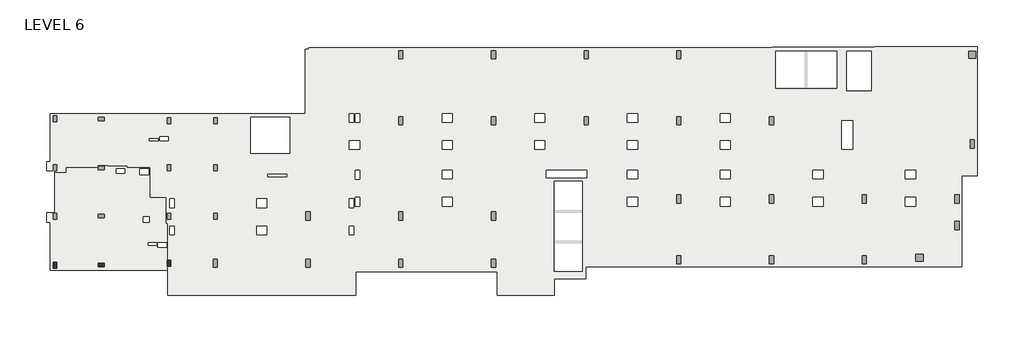
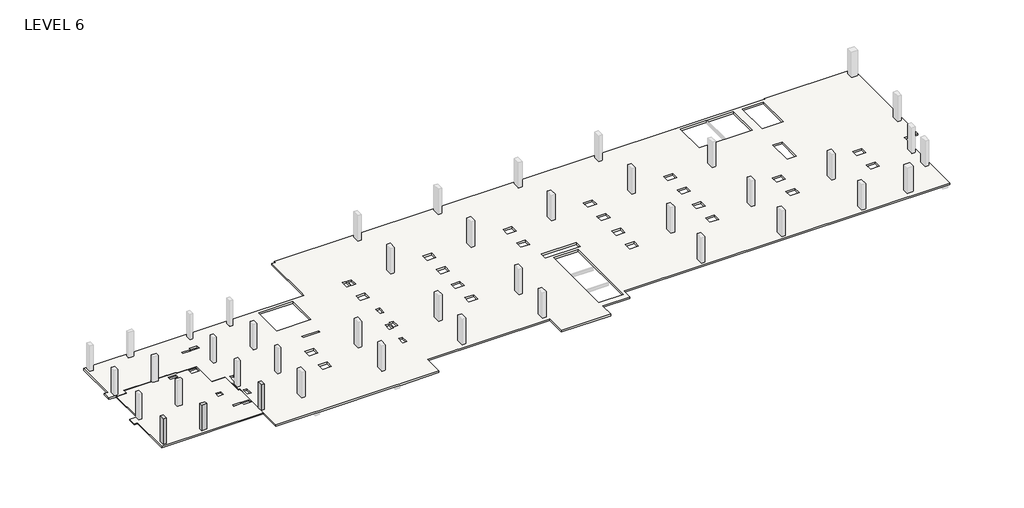
# One storey, part 1 of 2: 3 columns, 2 slabs.
"""IFC4 building model written with IfcOpenShell, lengths in millimetres."""

from ifc_helpers import new_model, si_unit, frame, origin, place, context, project, spatial, polyline, outline, extrude, faceted_brep, element, save

model = new_model("IFC4")

# Units and contexts
model_context = context("Model", 3, world=origin())
ifc_project = project(units=[si_unit("LENGTHUNIT", "METRE", prefix="MILLI")], contexts=[model_context])

# Site, building, storey
site = spatial("IfcSite", under=ifc_project)
building = spatial("IfcBuilding", under=site)
storey = spatial("IfcBuildingStorey", under=building, Name="LEVEL 6", Elevation=18897.6)

# Columns
placement = place(None, origin())
element("IfcColumn", 1, ObjectType="UC Concrete-Rectangular-Column : 12 x 20", at=placement, inside=storey, context=model_context, shape_type="SweptSolid", body=[
    extrude(outline(polyline([(-12613.7610058, -33380.9107149), (-12613.7610058, -33888.9107149), (-12918.5610058, -33888.9107149), (-12918.5610058, -33380.9107149), (-12613.7610058, -33380.9107149)])), frame((0.0, 0.0, 18897.6), z_axis=(0.0, 0.0, 1.0), x_axis=(1.0, 0.0, 0.0)), (0.0, 0.0, 1.0), 2667.0),
])
element("IfcColumn", 2, ObjectType="UC Concrete-Rectangular-Column : 12 x 20", at=placement, inside=storey, context=model_context, shape_type="SweptSolid", body=[
    extrude(outline(polyline([(-9057.7610058, -33482.5107149), (-8549.7610058, -33482.5107149), (-8549.7610058, -33787.3107149), (-9057.7610058, -33787.3107149), (-9057.7610058, -33482.5107149)])), frame((0.0, 0.0, 18897.6), z_axis=(0.0, 0.0, 1.0), x_axis=(1.0, 0.0, 0.0)), (0.0, 0.0, 1.0), 2667.0),
])
element("IfcColumn", 3, ObjectType="UC Concrete-Rectangular-Column : 12 x 20", at=placement, inside=storey, context=model_context, shape_type="SweptSolid", body=[
    extrude(outline(polyline([(-2860.1610058, -33228.5107149), (-2860.1610058, -33736.5107149), (-3164.9610058, -33736.5107149), (-3164.9610058, -33228.5107149), (-2860.1610058, -33228.5107149)])), frame((0.0, 0.0, 18897.6), z_axis=(0.0, 0.0, 1.0), x_axis=(1.0, 0.0, 0.0)), (0.0, 0.0, 1.0), 2667.0),
])

# Slabs
element("IfcSlab", 4, ObjectType="5\" slab", at=placement, inside=storey, context=model_context, shape_type="Brep", body=[
    faceted_brep([(-9118.0860058, -25260.8627141, 18719.8), (-9118.0860058, -25098.93584, 18719.8), (-8268.6383331, -25098.93584, 18719.8), (-8268.6383331, -25140.21084, 18719.8), (-6595.4133331, -25140.21084, 18719.8), (-6595.4133331, -25260.8627141, 18719.8), (-4612.7610058, -25260.8627141, 18719.8), (-4612.7610058, -27843.7107149, 18719.8), (-3269.7360058, -27843.7107149, 18719.8), (-3269.7360058, -30059.8703131, 18719.8), (-3120.5110058, -30059.8703131, 18719.8), (-3120.5110058, -34060.3310305, 18719.8), (-13155.4513218, -34060.3310305, 18719.8), (-13155.4513218, -29958.2607149, 18719.8), (-13483.7110058, -29958.2607149, 18719.8), (-13483.7110058, -29183.5607149, 18719.8), (-12766.1169468, -29183.5607149, 18719.8), (-12766.1169468, -25710.1107149, 18719.8), (-11835.8860058, -25710.1107149, 18719.8), (-11835.8860058, -25260.8627141, 18719.8), (-4736.5860058, -25391.0377141, 18719.8), (-5495.4110058, -25391.0377141, 18719.8), (-5495.4110058, -25894.3063579, 18719.8), (-4736.5860058, -25894.3063579, 18719.8), (-3955.5318136, -31734.6434324, 18719.8), (-3955.5318136, -32129.9453743, 18719.8), (-3212.5860058, -32129.9453743, 18719.8), (-3212.5860058, -31734.6434324, 18719.8), (-7516.3006019, -25401.3473693, 18719.8), (-7516.3006019, -25776.0291377, 18719.8), (-6782.8756019, -25776.0291377, 18719.8), (-6782.8756019, -25401.3473693, 18719.8), (-4809.6068136, -31744.9675477, 18719.8), (-4809.6068136, -31933.1120762, 18719.8), (-4050.7818136, -31933.1120762, 18719.8), (-4050.7818136, -31744.9675477, 18719.8), (-5207.5557798, -29505.837636, 18719.8), (-5207.5557798, -29980.4953131, 18719.8), (-4708.0110058, -29980.4953131, 18719.8), (-4708.0110058, -29505.837636, 18719.8), (-9118.0860058, -25098.93584, 18846.8), (-9118.0860058, -25260.8627141, 18846.8), (-11835.8860058, -25260.8627141, 18846.8), (-11835.8860058, -25710.1107149, 18846.8), (-12766.1169468, -25710.1107149, 18846.8), (-12766.1169468, -29183.5607149, 18846.8), (-13483.7110058, -29183.5607149, 18846.8), (-13483.7110058, -29958.2607149, 18846.8), (-13155.4513218, -29958.2607149, 18846.8), (-13155.4513218, -34060.3310305, 18846.8), (-3120.5110058, -34060.3310305, 18846.8), (-3120.5110058, -33736.5107149, 18846.8), (-3120.5110058, -33228.5107149, 18846.8), (-3120.5110058, -30059.8703131, 18846.8), (-3269.7360058, -30059.8703131, 18846.8), (-3269.7360058, -27843.7107149, 18846.8), (-4612.7610058, -27843.7107149, 18846.8), (-4612.7610058, -25260.8627141, 18846.8), (-6595.4133331, -25260.8627141, 18846.8), (-6595.4133331, -25140.21084, 18846.8), (-8268.6383331, -25140.21084, 18846.8), (-8268.6383331, -25098.93584, 18846.8), (-5495.4110058, -25391.0377141, 18846.8), (-4736.5860058, -25391.0377141, 18846.8), (-4736.5860058, -25894.3063579, 18846.8), (-5495.4110058, -25894.3063579, 18846.8), (-3955.5318136, -32129.9453743, 18846.8), (-3955.5318136, -31734.6434324, 18846.8), (-3212.5860058, -31734.6434324, 18846.8), (-3212.5860058, -32129.9453743, 18846.8), (-7516.3006019, -25776.0291377, 18846.8), (-7516.3006019, -25401.3473693, 18846.8), (-6782.8756019, -25401.3473693, 18846.8), (-6782.8756019, -25776.0291377, 18846.8), (-4809.6068136, -31933.1120762, 18846.8), (-4809.6068136, -31744.9675477, 18846.8), (-4050.7818136, -31744.9675477, 18846.8), (-4050.7818136, -31933.1120762, 18846.8), (-5207.5557798, -29980.4953131, 18846.8), (-5207.5557798, -29505.837636, 18846.8), (-4708.0110058, -29505.837636, 18846.8), (-4708.0110058, -29980.4953131, 18846.8)], [[[0, 1, 2, 3, 4, 5, 6, 7, 8, 9, 10, 11, 12, 13, 14, 15, 16, 17, 18, 19], [20, 21, 22, 23], [24, 25, 26, 27], [28, 29, 30, 31], [32, 33, 34, 35], [36, 37, 38, 39]], [[40, 41, 42, 43, 44, 45, 46, 47, 48, 49, 50, 51, 52, 53, 54, 55, 56, 57, 58, 59, 60, 61], [62, 63, 64, 65], [66, 67, 68, 69], [70, 71, 72, 73], [74, 75, 76, 77], [78, 79, 80, 81]], [[1, 0, 41, 40]], [[2, 1, 40, 61]], [[3, 2, 61, 60]], [[4, 3, 60, 59]], [[5, 4, 59, 58]], [[6, 5, 58, 57]], [[7, 6, 57, 56]], [[8, 7, 56, 55]], [[9, 8, 55, 54]], [[10, 9, 54, 53]], [[11, 10, 53, 52, 51, 50]], [[12, 11, 50, 49]], [[13, 12, 49, 48]], [[16, 15, 46, 45]], [[17, 16, 45, 44]], [[18, 17, 44, 43]], [[19, 18, 43, 42]], [[0, 19, 42, 41]], [[20, 63, 62, 21]], [[21, 62, 65, 22]], [[22, 65, 64, 23]], [[63, 20, 23, 64]], [[24, 67, 66, 25]], [[25, 66, 69, 26]], [[26, 69, 68, 27]], [[67, 24, 27, 68]], [[28, 71, 70, 29]], [[29, 70, 73, 30]], [[30, 73, 72, 31]], [[71, 28, 31, 72]], [[32, 75, 74, 33]], [[33, 74, 77, 34]], [[34, 77, 76, 35]], [[75, 32, 35, 76]], [[36, 79, 78, 37]], [[37, 78, 81, 38]], [[38, 81, 80, 39]], [[79, 36, 39, 80]], [[14, 13, 48, 47]], [[15, 14, 47, 46]]]),
])
element("IfcSlab", 5, ObjectType="7\" Concrete", at=placement, inside=storey, context=model_context, shape_type="Brep", body=[
    faceted_brep([(57329.9014942, -15029.4107149, 18719.8), (57329.9014942, -14953.2107149, 18719.8), (66100.8383695, -14953.2107149, 18719.8), (66100.8383695, -25989.5107149, 18719.8), (64773.6889942, -25989.5107149, 18719.8), (64773.6889942, -33774.6107149, 18719.8), (32604.5889942, -33774.6107149, 18719.8), (32604.5889942, -34790.6107149, 18719.8), (29915.3639942, -34790.6107149, 18719.8), (29915.3639942, -36213.0107149, 18719.8), (25029.0393065, -36213.0107149, 18719.8), (25029.0393065, -34219.1107149, 18719.8), (12964.0386818, -34219.1107149, 18719.8), (12964.0386818, -36213.0107149, 18719.8), (9077.8389942, -36213.0107149, 18719.8), (8671.4389942, -36213.0107149, 18719.8), (1153.0389942, -36213.0107149, 18719.8), (746.6389942, -36213.0107149, 18719.8), (-3120.5110058, -36213.0107149, 18719.8), (-3120.5110058, -30059.8703131, 18719.8), (-3269.7360058, -30059.8703131, 18719.8), (-3269.7360058, -27843.7107149, 18719.8), (-4612.7610058, -27843.7107149, 18719.8), (-4612.7610058, -25260.8627141, 18719.8), (-6595.4133331, -25260.8627141, 18719.8), (-6595.4133331, -25140.21084, 18719.8), (-8268.6383331, -25140.21084, 18719.8), (-8268.6383331, -25098.93584, 18719.8), (-9118.0860058, -25098.93584, 18719.8), (-9118.0860058, -25260.8627141, 18719.8), (-11835.8860058, -25260.8627141, 18719.8), (-11835.8860058, -25710.1107149, 18719.8), (-12766.1169468, -25710.1107149, 18719.8), (-12766.1169468, -25589.4607149, 18719.8), (-13483.7110058, -25589.4607149, 18719.8), (-13483.7110058, -24814.7607149, 18719.8), (-13155.4513218, -24814.7607149, 18719.8), (-13155.4513218, -20712.6903994, 18719.8), (797.4389942, -20712.6903994, 18719.8), (8620.6389942, -20712.6903994, 18719.8), (8620.6389942, -15197.6857149, 18719.8), (8925.4389942, -15197.6857149, 18719.8), (8925.4389942, -15054.8107149, 18719.8), (48541.5014942, -15054.8107149, 18719.8), (48541.5014942, -15029.4107149, 18719.8), (54078.7014942, -15334.2107149, 18719.8), (48846.3014942, -15334.2107149, 18719.8), (48846.3014942, -18511.7121146, 18719.8), (54078.7014942, -18511.7121146, 18719.8), (29912.1889942, -34181.7272222, 18719.8), (32299.7889942, -34181.7272222, 18719.8), (32299.7889942, -26487.2692077, 18719.8), (29912.1889942, -26487.2692077, 18719.8), (3972.4389942, -21017.4903994, 18719.8), (3972.4389942, -24095.6232149, 18719.8), (7325.2389942, -24095.6232149, 18719.8), (7325.2389942, -21017.4903994, 18719.8), (57025.1014942, -15334.2107149, 18719.8), (54933.1413578, -15334.2107149, 18719.8), (54933.1413578, -18744.1607149, 18719.8), (57025.1014942, -18744.1607149, 18719.8), (29123.2162484, -20696.7857149, 18719.8), (28250.0617399, -20696.7857149, 18719.8), (28250.0617399, -21427.0315227, 18719.8), (29123.2162484, -21427.0315227, 18719.8), (29123.2329503, -23011.3607149, 18719.8), (28250.045038, -23011.3607149, 18719.8), (28250.045038, -23744.7857149, 18719.8), (29123.2329503, -23744.7857149, 18719.8), (37048.0162484, -20696.7857149, 18719.8), (36174.8617399, -20696.7857149, 18719.8), (36174.8617399, -21427.0315227, 18719.8), (37048.0162484, -21427.0315227, 18719.8), (37048.0329503, -23011.3607149, 18719.8), (36174.845038, -23011.3607149, 18719.8), (36174.845038, -23744.7857149, 18719.8), (37048.0329503, -23744.7857149, 18719.8), (37048.0329503, -25541.8357149, 18719.8), (36174.8784418, -25541.8357149, 18719.8), (36174.8784418, -26272.0815227, 18719.8), (37048.0329503, -26272.0815227, 18719.8), (37048.0496522, -27856.4107149, 18719.8), (36174.8617399, -27856.4107149, 18719.8), (36174.8617399, -28589.8357149, 18719.8), (37048.0496522, -28589.8357149, 18719.8), (44972.8162484, -20696.7857149, 18719.8), (44099.6617399, -20696.7857149, 18719.8), (44099.6617399, -21427.0315227, 18719.8), (44972.8162484, -21427.0315227, 18719.8), (44972.8329503, -23011.3607149, 18719.8), (44099.645038, -23011.3607149, 18719.8), (44099.645038, -23744.7857149, 18719.8), (44972.8329503, -23744.7857149, 18719.8), (44972.8329503, -25541.8357149, 18719.8), (44099.6784418, -25541.8357149, 18719.8), (44099.6784418, -26272.0815227, 18719.8), (44972.8329503, -26272.0815227, 18719.8), (44972.8496522, -27856.4107149, 18719.8), (44099.6617399, -27856.4107149, 18719.8), (44099.6617399, -28589.8357149, 18719.8), (44972.8496522, -28589.8357149, 18719.8), (55421.7306924, -21315.9107149, 18719.8), (54513.6767085, -21315.9107149, 18719.8), (54513.6767085, -23754.3107149, 18719.8), (55421.7306924, -23754.3107149, 18719.8), (52897.6329503, -25541.8357149, 18719.8), (52024.4784418, -25541.8357149, 18719.8), (52024.4784418, -26272.0815227, 18719.8), (52897.6329503, -26272.0815227, 18719.8), (52897.6496522, -27856.4107149, 18719.8), (52024.4617399, -27856.4107149, 18719.8), (52024.4617399, -28589.8357149, 18719.8), (52897.6496522, -28589.8357149, 18719.8), (60822.4329503, -25541.8357149, 18719.8), (59949.2784418, -25541.8357149, 18719.8), (59949.2784418, -26272.0815227, 18719.8), (60822.4329503, -26272.0815227, 18719.8), (60822.4496522, -27856.4107149, 18719.8), (59949.2617399, -27856.4107149, 18719.8), (59949.2617399, -28589.8357149, 18719.8), (60822.4496522, -28589.8357149, 18719.8), (21198.4162484, -20696.7857149, 18719.8), (20325.2617399, -20696.7857149, 18719.8), (20325.2617399, -21427.0315227, 18719.8), (21198.4162484, -21427.0315227, 18719.8), (21198.4329503, -23011.3607149, 18719.8), (20325.245038, -23011.3607149, 18719.8), (20325.245038, -23744.7857149, 18719.8), (21198.4329503, -23744.7857149, 18719.8), (21198.4329503, -25540.2600871, 18719.8), (20325.245038, -25540.2600871, 18719.8), (20325.245038, -26273.6850871, 18719.8), (21198.4329503, -26273.6850871, 18719.8), (21198.4329503, -27856.4247435, 18719.8), (20325.245038, -27856.4247435, 18719.8), (20325.245038, -28589.8497435, 18719.8), (21198.4329503, -28589.8497435, 18719.8), (13273.6162484, -23011.3747435, 18719.8), (12400.4283362, -23011.3747435, 18719.8), (12400.4283362, -23744.7997435, 18719.8), (13273.6162484, -23744.7997435, 18719.8), (13273.6329503, -25549.7872435, 18719.8), (12898.9511818, -25549.7872435, 18719.8), (12898.9511818, -26283.2122435, 18719.8), (13273.6329503, -26283.2122435, 18719.8), (13273.6329503, -27858.0306162, 18719.8), (12898.9511818, -27858.0306162, 18719.8), (12898.9511818, -28591.4556162, 18719.8), (13273.6329503, -28591.4556162, 18719.8), (12775.1350013, -27980.26602, 18719.8), (12400.4532328, -27980.26602, 18719.8), (12400.4532328, -28713.69102, 18719.8), (12775.1350013, -28713.69102, 18719.8), (12775.1350013, -30296.4143396, 18719.8), (12400.4532328, -30296.4143396, 18719.8), (12400.4532328, -31029.8393396, 18719.8), (12775.1350013, -31029.8393396, 18719.8), (5348.8159361, -30296.4143396, 18719.8), (4475.6620523, -30296.4143396, 18719.8), (4475.6620523, -31029.8393396, 18719.8), (5348.8159361, -31029.8393396, 18719.8), (-2575.9840639, -30297.9899072, 18719.8), (-2936.3610058, -30297.9899072, 18719.8), (-2936.3610058, -31028.2357149, 18719.8), (-2575.9840639, -31028.2357149, 18719.8), (-2575.9673621, -27980.2327488, 18719.8), (-2936.3610058, -27980.2327488, 18719.8), (-2936.3610058, -28713.6577488, 18719.8), (-2575.9673621, -28713.6577488, 18719.8), (13273.6245994, -20696.7857149, 18719.8), (12898.9428309, -20696.7857149, 18719.8), (12898.9428309, -21427.0315227, 18719.8), (13273.6245994, -21427.0315227, 18719.8), (12775.1351575, -20696.7857149, 18719.8), (12400.453389, -20696.7857149, 18719.8), (12400.453389, -21427.0315227, 18719.8), (12775.1351575, -21427.0315227, 18719.8), (-4685.7818136, -22839.9093537, 18719.8), (-4685.7818136, -23025.6779974, 18719.8), (-3926.9568136, -23025.6779974, 18719.8), (-3926.9568136, -22839.9093537, 18719.8), (29254.9639942, -25513.2607149, 18719.8), (29254.9639942, -26182.4692077, 18719.8), (32693.4889942, -26182.4692077, 18719.8), (32693.4889942, -25513.2607149, 18719.8), (7044.9556867, -25881.5621481, 18719.8), (5407.1871152, -25881.5621481, 18719.8), (5407.1871152, -26084.7621481, 18719.8), (7044.9556867, -26084.7621481, 18719.8), (5348.8159361, -27981.0375273, 18719.8), (4475.6620523, -27981.0375273, 18719.8), (4475.6620523, -28714.4625273, 18719.8), (5348.8159361, -28714.4625273, 18719.8), (-3826.9323811, -22647.0361423, 18719.8), (-3826.9323811, -23021.7179107, 18719.8), (-3093.5073811, -23021.7179107, 18719.8), (-3093.5073811, -22647.0361423, 18719.8), (57329.9014942, -14953.2107149, 18897.6), (57329.9014942, -15029.4107149, 18897.6), (48541.5014942, -15029.4107149, 18897.6), (48541.5014942, -15054.8107149, 18897.6), (8925.4389942, -15054.8107149, 18897.6), (8925.4389942, -15197.6857149, 18897.6), (8620.6389942, -15197.6857149, 18897.6), (8620.6389942, -20712.6903994, 18897.6), (-13155.4513218, -20712.6903994, 18897.6), (-13155.4513218, -24814.7607149, 18897.6), (-13483.7110058, -24814.7607149, 18897.6), (-13483.7110058, -25589.4607149, 18897.6), (-12766.1169468, -25589.4607149, 18897.6), (-12766.1169468, -25710.1107149, 18897.6), (-11835.8860058, -25710.1107149, 18897.6), (-11835.8860058, -25260.8627141, 18897.6), (-9118.0860058, -25260.8627141, 18897.6), (-9118.0860058, -25098.93584, 18897.6), (-8268.6383331, -25098.93584, 18897.6), (-8268.6383331, -25140.21084, 18897.6), (-6595.4133331, -25140.21084, 18897.6), (-6595.4133331, -25260.8627141, 18897.6), (-4612.7610058, -25260.8627141, 18897.6), (-4612.7610058, -27843.7107149, 18897.6), (-3269.7360058, -27843.7107149, 18897.6), (-3269.7360058, -30059.8703131, 18897.6), (-3120.5110058, -30059.8703131, 18897.6), (-3120.5110058, -33228.5107149, 18897.6), (-3120.5110058, -33736.5107149, 18897.6), (-3120.5110058, -36213.0107149, 18897.6), (12964.0386818, -36213.0107149, 18897.6), (12964.0386818, -34219.1107149, 18897.6), (25029.0393065, -34219.1107149, 18897.6), (25029.0393065, -36213.0107149, 18897.6), (29915.3639942, -36213.0107149, 18897.6), (29915.3639942, -34790.6107149, 18897.6), (32604.5889942, -34790.6107149, 18897.6), (32604.5889942, -33774.6107149, 18897.6), (64773.6889942, -33774.6107149, 18897.6), (64773.6889942, -25989.5107149, 18897.6), (66100.8383695, -25989.5107149, 18897.6), (66100.8383695, -14953.2107149, 18897.6), (48846.3014942, -15334.2107149, 18897.6), (54078.7014942, -15334.2107149, 18897.6), (54078.7014942, -18511.7121146, 18897.6), (48846.3014942, -18511.7121146, 18897.6), (32299.7889942, -34181.7272222, 18897.6), (29912.1889942, -34181.7272222, 18897.6), (29912.1889942, -26487.2692077, 18897.6), (32299.7889942, -26487.2692077, 18897.6), (3972.4389942, -24095.6232149, 18897.6), (3972.4389942, -21017.4903994, 18897.6), (7325.2389942, -21017.4903994, 18897.6), (7325.2389942, -24095.6232149, 18897.6), (54933.1413578, -15334.2107149, 18897.6), (57025.1014942, -15334.2107149, 18897.6), (57025.1014942, -18744.1607149, 18897.6), (54933.1413578, -18744.1607149, 18897.6), (28250.0617399, -20696.7857149, 18897.6), (29123.2162484, -20696.7857149, 18897.6), (29123.2162484, -21427.0315227, 18897.6), (28250.0617399, -21427.0315227, 18897.6), (28250.045038, -23011.3607149, 18897.6), (29123.2329503, -23011.3607149, 18897.6), (29123.2329503, -23744.7857149, 18897.6), (28250.045038, -23744.7857149, 18897.6), (36174.8617399, -20696.7857149, 18897.6), (37048.0162484, -20696.7857149, 18897.6), (37048.0162484, -21427.0315227, 18897.6), (36174.8617399, -21427.0315227, 18897.6), (36174.845038, -23011.3607149, 18897.6), (37048.0329503, -23011.3607149, 18897.6), (37048.0329503, -23744.7857149, 18897.6), (36174.845038, -23744.7857149, 18897.6), (36174.8784418, -25541.8357149, 18897.6), (37048.0329503, -25541.8357149, 18897.6), (37048.0329503, -26272.0815227, 18897.6), (36174.8784418, -26272.0815227, 18897.6), (36174.8617399, -27856.4107149, 18897.6), (37048.0496522, -27856.4107149, 18897.6), (37048.0496522, -28589.8357149, 18897.6), (36174.8617399, -28589.8357149, 18897.6), (44099.6617399, -20696.7857149, 18897.6), (44972.8162484, -20696.7857149, 18897.6), (44972.8162484, -21427.0315227, 18897.6), (44099.6617399, -21427.0315227, 18897.6), (44099.645038, -23011.3607149, 18897.6), (44972.8329503, -23011.3607149, 18897.6), (44972.8329503, -23744.7857149, 18897.6), (44099.645038, -23744.7857149, 18897.6), (44099.6784418, -25541.8357149, 18897.6), (44972.8329503, -25541.8357149, 18897.6), (44972.8329503, -26272.0815227, 18897.6), (44099.6784418, -26272.0815227, 18897.6), (44099.6617399, -27856.4107149, 18897.6), (44972.8496522, -27856.4107149, 18897.6), (44972.8496522, -28589.8357149, 18897.6), (44099.6617399, -28589.8357149, 18897.6), (54513.6767085, -21315.9107149, 18897.6), (55421.7306924, -21315.9107149, 18897.6), (55421.7306924, -23754.3107149, 18897.6), (54513.6767085, -23754.3107149, 18897.6), (52024.4784418, -25541.8357149, 18897.6), (52897.6329503, -25541.8357149, 18897.6), (52897.6329503, -26272.0815227, 18897.6), (52024.4784418, -26272.0815227, 18897.6), (52024.4617399, -27856.4107149, 18897.6), (52897.6496522, -27856.4107149, 18897.6), (52897.6496522, -28589.8357149, 18897.6), (52024.4617399, -28589.8357149, 18897.6), (59949.2784418, -25541.8357149, 18897.6), (60822.4329503, -25541.8357149, 18897.6), (60822.4329503, -26272.0815227, 18897.6), (59949.2784418, -26272.0815227, 18897.6), (59949.2617399, -27856.4107149, 18897.6), (60822.4496522, -27856.4107149, 18897.6), (60822.4496522, -28589.8357149, 18897.6), (59949.2617399, -28589.8357149, 18897.6), (20325.2617399, -20696.7857149, 18897.6), (21198.4162484, -20696.7857149, 18897.6), (21198.4162484, -21427.0315227, 18897.6), (20325.2617399, -21427.0315227, 18897.6), (20325.245038, -23011.3607149, 18897.6), (21198.4329503, -23011.3607149, 18897.6), (21198.4329503, -23744.7857149, 18897.6), (20325.245038, -23744.7857149, 18897.6), (20325.245038, -25540.2600871, 18897.6), (21198.4329503, -25540.2600871, 18897.6), (21198.4329503, -26273.6850871, 18897.6), (20325.245038, -26273.6850871, 18897.6), (20325.245038, -27856.4247435, 18897.6), (21198.4329503, -27856.4247435, 18897.6), (21198.4329503, -28589.8497435, 18897.6), (20325.245038, -28589.8497435, 18897.6), (12400.4283362, -23011.3747435, 18897.6), (13273.6162484, -23011.3747435, 18897.6), (13273.6162484, -23744.7997435, 18897.6), (12400.4283362, -23744.7997435, 18897.6), (12898.9511818, -25549.7872435, 18897.6), (13273.6329503, -25549.7872435, 18897.6), (13273.6329503, -26283.2122435, 18897.6), (12898.9511818, -26283.2122435, 18897.6), (12898.9511818, -27858.0306162, 18897.6), (13273.6329503, -27858.0306162, 18897.6), (13273.6329503, -28591.4556162, 18897.6), (12898.9511818, -28591.4556162, 18897.6), (12400.4532328, -27980.26602, 18897.6), (12775.1350013, -27980.26602, 18897.6), (12775.1350013, -28713.69102, 18897.6), (12400.4532328, -28713.69102, 18897.6), (12400.4532328, -30296.4143396, 18897.6), (12775.1350013, -30296.4143396, 18897.6), (12775.1350013, -31029.8393396, 18897.6), (12400.4532328, -31029.8393396, 18897.6), (4475.6620523, -30296.4143396, 18897.6), (5348.8159361, -30296.4143396, 18897.6), (5348.8159361, -31029.8393396, 18897.6), (4475.6620523, -31029.8393396, 18897.6), (-2936.3610058, -30297.9899072, 18897.6), (-2575.9840639, -30297.9899072, 18897.6), (-2575.9840639, -31028.2357149, 18897.6), (-2936.3610058, -31028.2357149, 18897.6), (-2936.3610058, -27980.2327488, 18897.6), (-2575.9673621, -27980.2327488, 18897.6), (-2575.9673621, -28713.6577488, 18897.6), (-2936.3610058, -28713.6577488, 18897.6), (12898.9428309, -20696.7857149, 18897.6), (13273.6245994, -20696.7857149, 18897.6), (13273.6245994, -21427.0315227, 18897.6), (12898.9428309, -21427.0315227, 18897.6), (12400.453389, -20696.7857149, 18897.6), (12775.1351575, -20696.7857149, 18897.6), (12775.1351575, -21427.0315227, 18897.6), (12400.453389, -21427.0315227, 18897.6), (-4685.7818136, -23025.6779974, 18897.6), (-4685.7818136, -22839.9093537, 18897.6), (-3926.9568136, -22839.9093537, 18897.6), (-3926.9568136, -23025.6779974, 18897.6), (29254.9639942, -26182.4692077, 18897.6), (29254.9639942, -25513.2607149, 18897.6), (32693.4889942, -25513.2607149, 18897.6), (32693.4889942, -26182.4692077, 18897.6), (5407.1871152, -25881.5621481, 18897.6), (7044.9556867, -25881.5621481, 18897.6), (7044.9556867, -26084.7621481, 18897.6), (5407.1871152, -26084.7621481, 18897.6), (4475.6620523, -27981.0375273, 18897.6), (5348.8159361, -27981.0375273, 18897.6), (5348.8159361, -28714.4625273, 18897.6), (4475.6620523, -28714.4625273, 18897.6), (-3826.9323811, -23021.7179107, 18897.6), (-3826.9323811, -22647.0361423, 18897.6), (-3093.5073811, -22647.0361423, 18897.6), (-3093.5073811, -23021.7179107, 18897.6)], [[[0, 1, 2, 3, 4, 5, 6, 7, 8, 9, 10, 11, 12, 13, 14, 15, 16, 17, 18, 19, 20, 21, 22, 23, 24, 25, 26, 27, 28, 29, 30, 31, 32, 33, 34, 35, 36, 37, 38, 39, 40, 41, 42, 43, 44], [45, 46, 47, 48], [49, 50, 51, 52], [53, 54, 55, 56], [57, 58, 59, 60], [61, 62, 63, 64], [65, 66, 67, 68], [69, 70, 71, 72], [73, 74, 75, 76], [77, 78, 79, 80], [81, 82, 83, 84], [85, 86, 87, 88], [89, 90, 91, 92], [93, 94, 95, 96], [97, 98, 99, 100], [101, 102, 103, 104], [105, 106, 107, 108], [109, 110, 111, 112], [113, 114, 115, 116], [117, 118, 119, 120], [121, 122, 123, 124], [125, 126, 127, 128], [129, 130, 131, 132], [133, 134, 135, 136], [137, 138, 139, 140], [141, 142, 143, 144], [145, 146, 147, 148], [149, 150, 151, 152], [153, 154, 155, 156], [157, 158, 159, 160], [161, 162, 163, 164], [165, 166, 167, 168], [169, 170, 171, 172], [173, 174, 175, 176], [177, 178, 179, 180], [181, 182, 183, 184], [185, 186, 187, 188], [189, 190, 191, 192], [193, 194, 195, 196]], [[197, 198, 199, 200, 201, 202, 203, 204, 205, 206, 207, 208, 209, 210, 211, 212, 213, 214, 215, 216, 217, 218, 219, 220, 221, 222, 223, 224, 225, 226, 227, 228, 229, 230, 231, 232, 233, 234, 235, 236, 237, 238], [239, 240, 241, 242], [243, 244, 245, 246], [247, 248, 249, 250], [251, 252, 253, 254], [255, 256, 257, 258], [259, 260, 261, 262], [263, 264, 265, 266], [267, 268, 269, 270], [271, 272, 273, 274], [275, 276, 277, 278], [279, 280, 281, 282], [283, 284, 285, 286], [287, 288, 289, 290], [291, 292, 293, 294], [295, 296, 297, 298], [299, 300, 301, 302], [303, 304, 305, 306], [307, 308, 309, 310], [311, 312, 313, 314], [315, 316, 317, 318], [319, 320, 321, 322], [323, 324, 325, 326], [327, 328, 329, 330], [331, 332, 333, 334], [335, 336, 337, 338], [339, 340, 341, 342], [343, 344, 345, 346], [347, 348, 349, 350], [351, 352, 353, 354], [355, 356, 357, 358], [359, 360, 361, 362], [363, 364, 365, 366], [367, 368, 369, 370], [371, 372, 373, 374], [375, 376, 377, 378], [379, 380, 381, 382], [383, 384, 385, 386], [387, 388, 389, 390]], [[45, 240, 239, 46]], [[46, 239, 242, 47]], [[47, 242, 241, 48]], [[240, 45, 48, 241]], [[49, 244, 243, 50]], [[50, 243, 246, 51]], [[51, 246, 245, 52]], [[244, 49, 52, 245]], [[247, 54, 53, 248]], [[54, 247, 250, 55]], [[55, 250, 249, 56]], [[57, 252, 251, 58]], [[58, 251, 254, 59]], [[59, 254, 253, 60]], [[252, 57, 60, 253]], [[61, 256, 255, 62]], [[62, 255, 258, 63]], [[63, 258, 257, 64]], [[256, 61, 64, 257]], [[65, 260, 259, 66]], [[66, 259, 262, 67]], [[67, 262, 261, 68]], [[260, 65, 68, 261]], [[69, 264, 263, 70]], [[70, 263, 266, 71]], [[71, 266, 265, 72]], [[264, 69, 72, 265]], [[73, 268, 267, 74]], [[74, 267, 270, 75]], [[75, 270, 269, 76]], [[268, 73, 76, 269]], [[77, 272, 271, 78]], [[78, 271, 274, 79]], [[79, 274, 273, 80]], [[272, 77, 80, 273]], [[81, 276, 275, 82]], [[82, 275, 278, 83]], [[83, 278, 277, 84]], [[276, 81, 84, 277]], [[85, 280, 279, 86]], [[86, 279, 282, 87]], [[87, 282, 281, 88]], [[280, 85, 88, 281]], [[89, 284, 283, 90]], [[90, 283, 286, 91]], [[91, 286, 285, 92]], [[284, 89, 92, 285]], [[93, 288, 287, 94]], [[94, 287, 290, 95]], [[95, 290, 289, 96]], [[288, 93, 96, 289]], [[97, 292, 291, 98]], [[98, 291, 294, 99]], [[99, 294, 293, 100]], [[292, 97, 100, 293]], [[101, 296, 295, 102]], [[102, 295, 298, 103]], [[103, 298, 297, 104]], [[296, 101, 104, 297]], [[105, 300, 299, 106]], [[106, 299, 302, 107]], [[107, 302, 301, 108]], [[300, 105, 108, 301]], [[109, 304, 303, 110]], [[110, 303, 306, 111]], [[111, 306, 305, 112]], [[304, 109, 112, 305]], [[113, 308, 307, 114]], [[114, 307, 310, 115]], [[115, 310, 309, 116]], [[308, 113, 116, 309]], [[117, 312, 311, 118]], [[118, 311, 314, 119]], [[119, 314, 313, 120]], [[312, 117, 120, 313]], [[121, 316, 315, 122]], [[122, 315, 318, 123]], [[123, 318, 317, 124]], [[316, 121, 124, 317]], [[125, 320, 319, 126]], [[126, 319, 322, 127]], [[127, 322, 321, 128]], [[320, 125, 128, 321]], [[129, 324, 323, 130]], [[130, 323, 326, 131]], [[131, 326, 325, 132]], [[324, 129, 132, 325]], [[133, 328, 327, 134]], [[134, 327, 330, 135]], [[135, 330, 329, 136]], [[328, 133, 136, 329]], [[137, 332, 331, 138]], [[138, 331, 334, 139]], [[139, 334, 333, 140]], [[332, 137, 140, 333]], [[141, 336, 335, 142]], [[142, 335, 338, 143]], [[143, 338, 337, 144]], [[336, 141, 144, 337]], [[145, 340, 339, 146]], [[146, 339, 342, 147]], [[147, 342, 341, 148]], [[340, 145, 148, 341]], [[149, 344, 343, 150]], [[150, 343, 346, 151]], [[151, 346, 345, 152]], [[344, 149, 152, 345]], [[153, 348, 347, 154]], [[154, 347, 350, 155]], [[155, 350, 349, 156]], [[348, 153, 156, 349]], [[157, 352, 351, 158]], [[158, 351, 354, 159]], [[159, 354, 353, 160]], [[352, 157, 160, 353]], [[189, 384, 383, 190]], [[190, 383, 386, 191]], [[191, 386, 385, 192]], [[384, 189, 192, 385]], [[161, 356, 355, 162]], [[162, 355, 358, 163]], [[163, 358, 357, 164]], [[356, 161, 164, 357]], [[165, 360, 359, 166]], [[166, 359, 362, 167]], [[167, 362, 361, 168]], [[360, 165, 168, 361]], [[193, 388, 387, 194]], [[194, 387, 390, 195]], [[195, 390, 389, 196]], [[388, 193, 196, 389]], [[169, 364, 363, 170]], [[170, 363, 366, 171]], [[171, 366, 365, 172]], [[364, 169, 172, 365]], [[173, 368, 367, 174]], [[174, 367, 370, 175]], [[175, 370, 369, 176]], [[368, 173, 176, 369]], [[177, 372, 371, 178]], [[178, 371, 374, 179]], [[179, 374, 373, 180]], [[372, 177, 180, 373]], [[181, 376, 375, 182]], [[182, 375, 378, 183]], [[183, 378, 377, 184]], [[376, 181, 184, 377]], [[185, 380, 379, 186]], [[186, 379, 382, 187]], [[187, 382, 381, 188]], [[380, 185, 188, 381]], [[1, 0, 198, 197]], [[2, 1, 197, 238]], [[3, 2, 238, 237]], [[4, 3, 237, 236]], [[5, 4, 236, 235]], [[6, 5, 235, 234]], [[7, 6, 234, 233]], [[8, 7, 233, 232]], [[9, 8, 232, 231]], [[10, 9, 231, 230]], [[11, 10, 230, 229]], [[12, 11, 229, 228]], [[13, 12, 228, 227]], [[18, 17, 16, 15, 14, 13, 227, 226]], [[19, 18, 226, 225, 224, 223]], [[33, 32, 210, 209]], [[34, 33, 209, 208]], [[35, 34, 208, 207]], [[36, 35, 207, 206]], [[37, 36, 206, 205]], [[39, 38, 37, 205, 204]], [[40, 39, 204, 203]], [[41, 40, 203, 202]], [[42, 41, 202, 201]], [[43, 42, 201, 200]], [[44, 43, 200, 199]], [[0, 44, 199, 198]], [[20, 19, 223, 222]], [[21, 20, 222, 221]], [[22, 21, 221, 220]], [[23, 22, 220, 219]], [[24, 23, 219, 218]], [[25, 24, 218, 217]], [[26, 25, 217, 216]], [[27, 26, 216, 215]], [[28, 27, 215, 214]], [[29, 28, 214, 213]], [[30, 29, 213, 212]], [[31, 30, 212, 211]], [[32, 31, 211, 210]], [[248, 53, 56, 249]]]),
])

save(model, "model.ifc")
